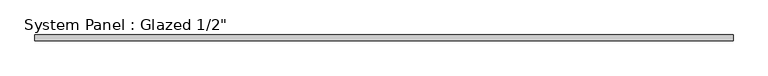
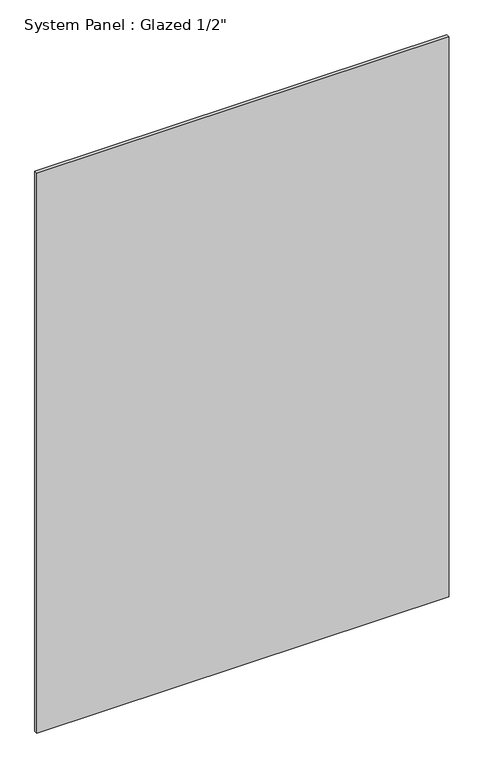
"""IFC4 building model written with IfcOpenShell, lengths in millimetres: plate geometry."""

from ifc_helpers import new_model, si_unit, origin, origin_with_axes, place, context, project, spatial, polyline, outline, extrude, source, transform, mapped, element, save


def plate_1045be9a(model_context):
    return source(origin(), model_context, "Body", "SweptSolid", [
        extrude(outline(polyline([(767.2916667, -6.35), (-767.2916667, -6.35), (-767.2916667, 6.35), (767.2916667, 6.35), (767.2916667, -6.35)])), origin_with_axes(), (0.0, 0.0, 1.0), 2202.749441),
    ])


if __name__ == "__main__":
    model = new_model("IFC4")
    model_context = context("Model", 3, world=origin())
    ifc_project = project(units=[si_unit("LENGTHUNIT", "METRE", prefix="MILLI")], contexts=[model_context])
    site = spatial("IfcSite", under=ifc_project)
    building = spatial("IfcBuilding", under=site)
    placement = place(None, origin())
    plate_shape = plate_1045be9a(model_context)
    element("IfcPlate", 1, ObjectType="System Panel : Glazed 1/2\"", at=placement, inside=building, context=model_context, shape_type="MappedRepresentation", body=[
        mapped(plate_shape, transform((0.0, 0.0, 0.0), x_axis=(1.0, 0.0, 0.0), y_axis=(0.0, 1.0, 0.0), z_axis=(0.0, 0.0, 1.0))),
    ])
    save(model, "model.ifc")
